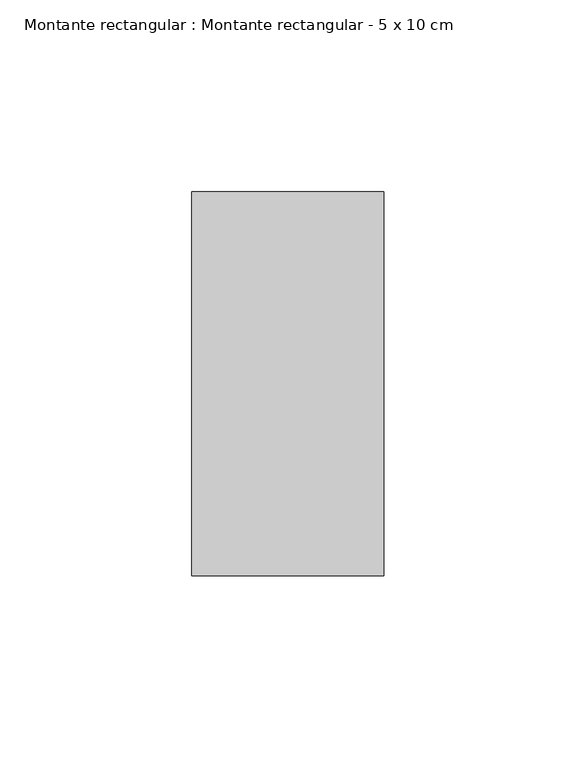
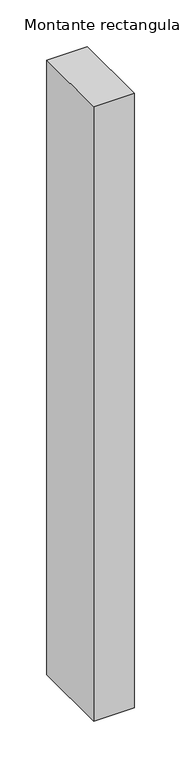
"""IFC4 building model written with IfcOpenShell, lengths in millimetres: member geometry, Montante rectangular : Montante rectangular - 5 x 10 cm."""

from ifc_helpers import new_model, si_unit, frame, origin, place, context, project, spatial, polyline, outline, extrude, source, transform, mapped, element, save


def montante_rectangular_montante_rectangular_5_x_10_cm_04e537a5(model_context):
    return source(origin(), model_context, "Body", "SweptSolid", [
        extrude(outline(polyline([(0.0, 50.0), (0.0, -50.0), (-50.0, -50.0), (-50.0, 50.0), (0.0, 50.0)])), frame((0.0, 0.0, -801.7346293), z_axis=(0.0, 0.0, 1.0), x_axis=(1.0, 0.0, 0.0)), (0.0, 0.0, 1.0), 801.7346293),
    ])


if __name__ == "__main__":
    model = new_model("IFC4")
    model_context = context("Model", 3, world=origin())
    ifc_project = project(units=[si_unit("LENGTHUNIT", "METRE", prefix="MILLI")], contexts=[model_context])
    site = spatial("IfcSite", under=ifc_project)
    building = spatial("IfcBuilding", under=site)
    placement = place(None, origin())
    montante_rectangular_montante_rectangular_5_x_10_cm_shape = montante_rectangular_montante_rectangular_5_x_10_cm_04e537a5(model_context)
    element("IfcMember", 1, ObjectType="Montante rectangular : Montante rectangular - 5 x 10 cm", at=placement, inside=building, context=model_context, shape_type="MappedRepresentation", body=[
        mapped(montante_rectangular_montante_rectangular_5_x_10_cm_shape, transform((0.0, 0.0, 0.0), x_axis=(1.0, 0.0, 0.0), y_axis=(0.0, 1.0, 0.0), z_axis=(0.0, 0.0, 1.0))),
    ])
    save(model, "model.ifc")
